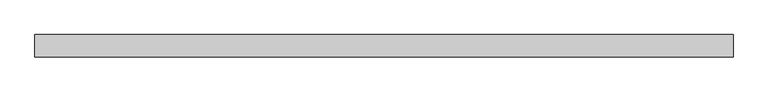
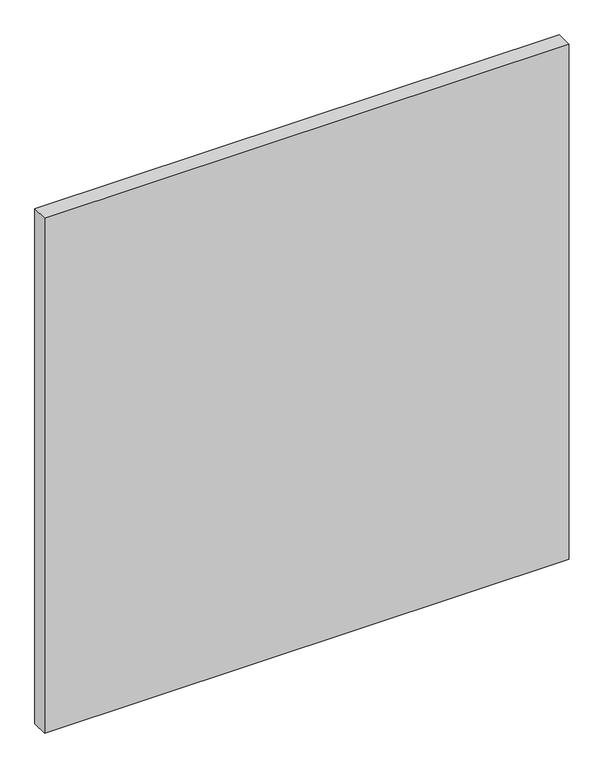
"""IFC4 building model written with IfcOpenShell, lengths in millimetres: plate geometry."""

from ifc_helpers import new_model, si_unit, origin, origin_with_axes, place, context, project, spatial, polyline, outline, extrude, source, transform, mapped, element, save


def plate_c4feba68(model_context):
    return source(origin(), model_context, "Body", "SweptSolid", [
        extrude(outline(polyline([(551.3125, -17.5), (-551.3125, -17.5), (-551.3125, 17.5), (551.3125, 17.5), (551.3125, -17.5)])), origin_with_axes(), (0.0, 0.0, 1.0), 1143.8125),
    ])


if __name__ == "__main__":
    model = new_model("IFC4")
    model_context = context("Model", 3, world=origin())
    ifc_project = project(units=[si_unit("LENGTHUNIT", "METRE", prefix="MILLI")], contexts=[model_context])
    site = spatial("IfcSite", under=ifc_project)
    building = spatial("IfcBuilding", under=site)
    placement = place(None, origin())
    plate_shape = plate_c4feba68(model_context)
    element("IfcPlate", 1, at=placement, inside=building, context=model_context, shape_type="MappedRepresentation", body=[
        mapped(plate_shape, transform((0.0, 0.0, 0.0), x_axis=(1.0, 0.0, 0.0), y_axis=(0.0, 1.0, 0.0), z_axis=(0.0, 0.0, 1.0))),
    ])
    save(model, "model.ifc")
